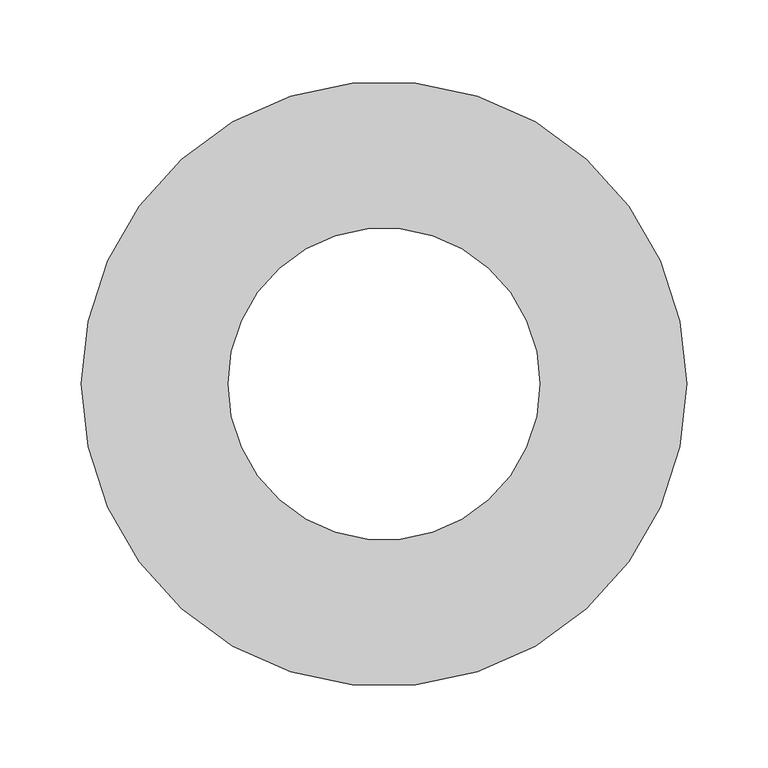
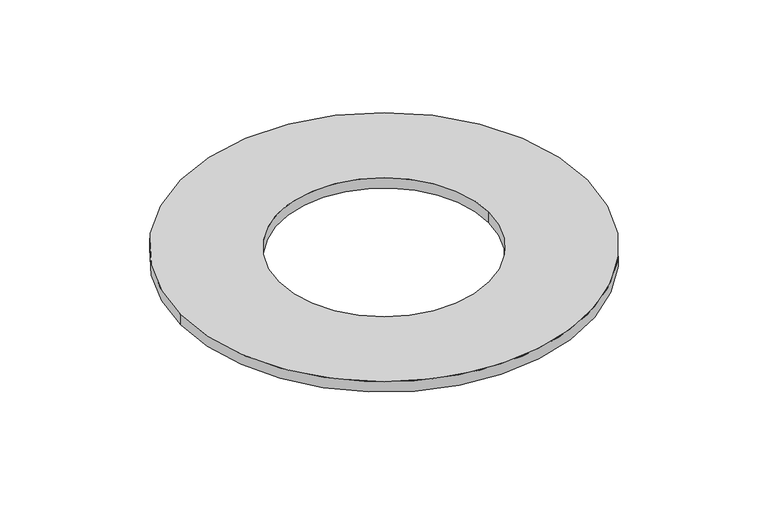
"""IFC4 building model written with IfcOpenShell, lengths in millimetres: furniture geometry."""

import ifcopenshell
import ifcopenshell.guid

model = None  # the IFC model being written
_history = None  # IfcOwnerHistory: only IFC2X3 demands one
_inside = {}  # id of a spatial element -> (the spatial element, [elements in it])
_under = {}  # id of a project, library or spatial element -> (it, [spatial elements below it])
_declared = {}  # id of a project -> (the project, [libraries it declares])
_typed = {}  # id of a type object -> (the type object, [elements of that type])
_made_of = {}  # id of a material, layer set ... -> (it, [elements and type objects made of it])


def new_model(schema):
    """Start an empty IFC model of exactly this schema.

    Asked for "IFC4X3", IfcOpenShell would pick the latest addendum, in which some entities
    have other attributes; the version numbers below select the first issue.
    IFC2X3 requires an IfcOwnerHistory on every rooted entity: one is made here for all.
    """
    global model, _history
    if schema == "IFC4X3":
        model = ifcopenshell.file(schema_version=(4, 3, 0, 0))
    else:
        model = ifcopenshell.file(schema=schema)
    _inside.clear()
    _under.clear()
    _declared.clear()
    _typed.clear()
    _made_of.clear()
    _history = None
    if model.schema == "IFC2X3":
        org = make("IfcOrganization", Name="unknown")
        user = make(
            "IfcPersonAndOrganization",
            ThePerson=make("IfcPerson", FamilyName="unknown"),
            TheOrganization=org,
        )
        app = make(
            "IfcApplication",
            ApplicationDeveloper=org,
            Version="unknown",
            ApplicationFullName="unknown",
            ApplicationIdentifier="unknown",
        )
        _history = make(
            "IfcOwnerHistory",
            OwningUser=user,
            OwningApplication=app,
            ChangeAction="ADDED",
            CreationDate=0,
        )
    return model


def make(cls, **values):
    """One entity of the class cls with the attributes given. An attribute that is None is left unset."""
    return model.create_entity(
        cls, **{name: value for name, value in values.items() if value is not None}
    )


def rooted(cls, **values):
    """An entity with a GlobalId (a new one), such as an element, a storey or a relation."""
    return make(cls, GlobalId=ifcopenshell.guid.new(), OwnerHistory=_history, **values)


def si_unit(unit_type, name, prefix=None):
    """IfcSIUnit, for example si_unit("LENGTHUNIT", "METRE", prefix="MILLI")."""
    return make("IfcSIUnit", UnitType=unit_type, Prefix=prefix, Name=name)


def assignment(units):
    """IfcUnitAssignment: the units of a project."""
    return None if units is None else make("IfcUnitAssignment", Units=units)


def point(xyz):
    """IfcCartesianPoint."""
    return None if xyz is None else make("IfcCartesianPoint", Coordinates=xyz)


def direction(xyz):
    """IfcDirection."""
    return None if xyz is None else make("IfcDirection", DirectionRatios=xyz)


def frame(location, z_axis=None, x_axis=None):
    """IfcAxis2Placement3D, a coordinate frame: its origin and axes. An axis left out is left unset."""
    return make(
        "IfcAxis2Placement3D",
        Location=point(location),
        Axis=direction(z_axis),
        RefDirection=direction(x_axis),
    )


def frame_2d(location, x_axis=None):
    """IfcAxis2Placement2D, a coordinate frame in the plane: its origin and x axis."""
    return make(
        "IfcAxis2Placement2D", Location=point(location), RefDirection=direction(x_axis)
    )


def origin():
    """The frame at (0, 0, 0) with its axes left unset."""
    return frame((0.0, 0.0, 0.0))


def origin_with_axes():
    """The frame at (0, 0, 0) with the z axis (0, 0, 1) and the x axis (1, 0, 0) written out."""
    return frame((0.0, 0.0, 0.0), z_axis=(0.0, 0.0, 1.0), x_axis=(1.0, 0.0, 0.0))


def origin_2d():
    """The frame at (0, 0) in the plane with its x axis left unset."""
    return frame_2d((0.0, 0.0))


def place(relative_to, where):
    """IfcLocalPlacement: puts the frame where relative to a parent placement (None: the world)."""
    return make(
        "IfcLocalPlacement", PlacementRelTo=relative_to, RelativePlacement=where
    )


def context(
    kind, dimensions, precision=None, world=None, true_north=None, identifier=None
):
    """IfcGeometricRepresentationContext, for example the 3D "Model" context."""
    return make(
        "IfcGeometricRepresentationContext",
        ContextIdentifier=identifier,
        ContextType=kind,
        CoordinateSpaceDimension=dimensions,
        Precision=precision,
        WorldCoordinateSystem=world,
        TrueNorth=true_north,
    )


def project(units=None, contexts=None):
    """IfcProject with its units and contexts."""
    return rooted(
        "IfcProject",
        Name="project",
        RepresentationContexts=contexts,
        UnitsInContext=assignment(units),
    )


def spatial(cls, under=None, at=None, **own):
    """A site, building, storey or space (cls), placed at a placement, below another one or the project."""
    s = rooted(cls, ObjectPlacement=at, **own)
    if under is not None:
        _under.setdefault(under.id(), (under, []))[1].append(s)
    return s


def circle_curve(where, radius):
    """IfcCircle in the frame where."""
    return make("IfcCircle", Position=where, Radius=radius)


def trimmed(basis, trim1, trim2, sense, master):
    """IfcTrimmedCurve: the piece of a basis curve between two trims."""
    return make(
        "IfcTrimmedCurve",
        BasisCurve=basis,
        Trim1=trim1,
        Trim2=trim2,
        SenseAgreement=sense,
        MasterRepresentation=master,
    )


def segment(curve, same_sense, transition):
    """IfcCompositeCurveSegment."""
    return make(
        "IfcCompositeCurveSegment",
        Transition=transition,
        SameSense=same_sense,
        ParentCurve=curve,
    )


def composite_curve(segments, self_intersect=None):
    """IfcCompositeCurve: segments joined end to end."""
    return make("IfcCompositeCurve", Segments=segments, SelfIntersect=self_intersect)


def outline(outer, holes=None, kind="AREA"):
    """IfcArbitraryClosedProfileDef: a profile drawn as a closed curve; with holes, ...WithVoids."""
    if holes is None:
        return make("IfcArbitraryClosedProfileDef", ProfileType=kind, OuterCurve=outer)
    return make(
        "IfcArbitraryProfileDefWithVoids",
        ProfileType=kind,
        OuterCurve=outer,
        InnerCurves=holes,
    )


def extrude(swept, where, along, depth):
    """IfcExtrudedAreaSolid: the profile swept, set in the frame where, extruded along a direction by depth."""
    return make(
        "IfcExtrudedAreaSolid",
        SweptArea=swept,
        Position=where,
        ExtrudedDirection=direction(along),
        Depth=depth,
    )


def shape(context_of_items, identifier, shape_type, items):
    """IfcShapeRepresentation: the items that make up one representation, for example the "Body"."""
    return make(
        "IfcShapeRepresentation",
        ContextOfItems=context_of_items,
        RepresentationIdentifier=identifier,
        RepresentationType=shape_type,
        Items=items,
    )


def source(mapping_origin, context_of_items, identifier, shape_type, items):
    """IfcRepresentationMap: a shape defined once, which mapped items show again and again."""
    return make(
        "IfcRepresentationMap",
        MappingOrigin=mapping_origin,
        MappedRepresentation=shape(context_of_items, identifier, shape_type, items),
    )


def transform(
    local_origin,
    x_axis=None,
    y_axis=None,
    z_axis=None,
    scale=None,
    scale2=None,
    scale3=None,
    uniform=True,
):
    """IfcCartesianTransformationOperator3D, or its non-uniform kind. x_axis, y_axis, z_axis: its Axis1, 2, 3."""
    if uniform:
        return make(
            "IfcCartesianTransformationOperator3D",
            Axis1=direction(x_axis),
            Axis2=direction(y_axis),
            LocalOrigin=point(local_origin),
            Scale=scale,
            Axis3=direction(z_axis),
        )
    return make(
        "IfcCartesianTransformationOperator3DnonUniform",
        Axis1=direction(x_axis),
        Axis2=direction(y_axis),
        LocalOrigin=point(local_origin),
        Scale=scale,
        Axis3=direction(z_axis),
        Scale2=scale2,
        Scale3=scale3,
    )


def mapped(mapping_source, mapping_target):
    """IfcMappedItem: shows the shape of a source again, moved by a transform."""
    return make(
        "IfcMappedItem", MappingSource=mapping_source, MappingTarget=mapping_target
    )


def made_of(thing, what):
    """Note that an element or type object is made of a material, layer set ...; save() writes the relation."""
    if what is not None:
        _made_of.setdefault(what.id(), (what, []))[1].append(thing)
    return thing


def element(
    cls,
    number,
    at=None,
    inside=None,
    cuts=None,
    type_object=None,
    material=None,
    context=None,
    identifier="Body",
    shape_type=None,
    held_by="IfcProductDefinitionShape",
    body=None,
    shapes=None,
    **own,
):
    """One element of the class cls, such as IfcWall. Its Tag is "e" and its number.

    at: its placement. inside: the storey or other place that contains it. cuts: it is an
    opening in that element (IfcRelVoidsElement). A single representation is given by context,
    identifier, shape_type and body (its items); several are given by shapes. held_by: the class
    of the entity that holds the representations. save() writes the other relations.
    """
    e = rooted(cls, Tag="e%d" % number, ObjectPlacement=at, **own)
    if body is not None:
        shapes = [shape(context, identifier, shape_type, body)]
    if shapes is not None:
        e.Representation = make(held_by, Representations=shapes)
    if inside is not None:
        _inside.setdefault(inside.id(), (inside, []))[1].append(e)
    if cuts is not None:
        rooted(
            "IfcRelVoidsElement", RelatingBuildingElement=cuts, RelatedOpeningElement=e
        )
    if type_object is not None:
        _typed.setdefault(type_object.id(), (type_object, []))[1].append(e)
    return made_of(e, material)


def aggregate(whole, parts):
    """IfcRelAggregates: a whole, such as a stair, and the parts it consists of."""
    return rooted("IfcRelAggregates", RelatingObject=whole, RelatedObjects=parts)


def save(model, path):
    """Write the relations noted so far, then the file.

    IfcRelAggregates (storeys below a building ...), IfcRelContainedInSpatialStructure (elements
    in a storey), IfcRelDefinesByType, IfcRelAssociatesMaterial and IfcRelDeclares: one each for
    every whole, place, type object, material and project.
    """
    for whole, parts in _under.values():
        aggregate(whole, parts)
    for where, things in _inside.values():
        rooted(
            "IfcRelContainedInSpatialStructure",
            RelatedElements=things,
            RelatingStructure=where,
        )
    for kind, things in _typed.values():
        rooted("IfcRelDefinesByType", RelatedObjects=things, RelatingType=kind)
    for what, things in _made_of.values():
        rooted("IfcRelAssociatesMaterial", RelatedObjects=things, RelatingMaterial=what)
    for by, libraries in _declared.values():
        rooted("IfcRelDeclares", RelatingContext=by, RelatedDefinitions=libraries)
    model.write(path)


def furniture_c1e6db7e(model_context):
    return source(origin(), model_context, "Body", "SweptSolid", [
        extrude(outline(composite_curve([segment(trimmed(circle_curve(origin_2d(), 185.7557441), [point((-185.7557441, 0.0))], [point((185.7557441, 0.0))], False, "CARTESIAN"), True, "CONTINUOUS"), segment(trimmed(circle_curve(origin_2d(), 185.7557441), [point((185.7557441, 0.0))], [point((-185.7557441, 0.0))], False, "CARTESIAN"), True, "CONTINUOUS")], self_intersect=False), holes=[composite_curve([segment(trimmed(circle_curve(origin_2d(), 95.7557441), [point((95.7557441, 0.0))], [point((-95.7557441, 0.0))], True, "CARTESIAN"), True, "CONTINUOUS"), segment(trimmed(circle_curve(origin_2d(), 95.7557441), [point((-95.7557441, 0.0))], [point((95.7557441, 0.0))], True, "CARTESIAN"), True, "CONTINUOUS")], self_intersect=False)]), origin_with_axes(), (0.0, 0.0, 1.0), 10.0),
    ])


if __name__ == "__main__":
    model = new_model("IFC4")
    model_context = context("Model", 3, world=origin())
    ifc_project = project(units=[si_unit("LENGTHUNIT", "METRE", prefix="MILLI")], contexts=[model_context])
    site = spatial("IfcSite", under=ifc_project)
    building = spatial("IfcBuilding", under=site)
    placement = place(None, origin())
    furniture_shape = furniture_c1e6db7e(model_context)
    element("IfcFurniture", 1, at=placement, inside=building, context=model_context, shape_type="MappedRepresentation", body=[
        mapped(furniture_shape, transform((0.0, 0.0, 0.0), x_axis=(1.0, 0.0, 0.0), y_axis=(0.0, 1.0, 0.0), z_axis=(0.0, 0.0, 1.0))),
    ])
    save(model, "model.ifc")
